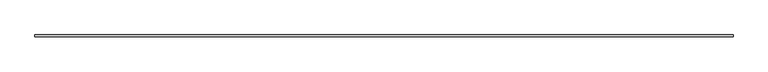
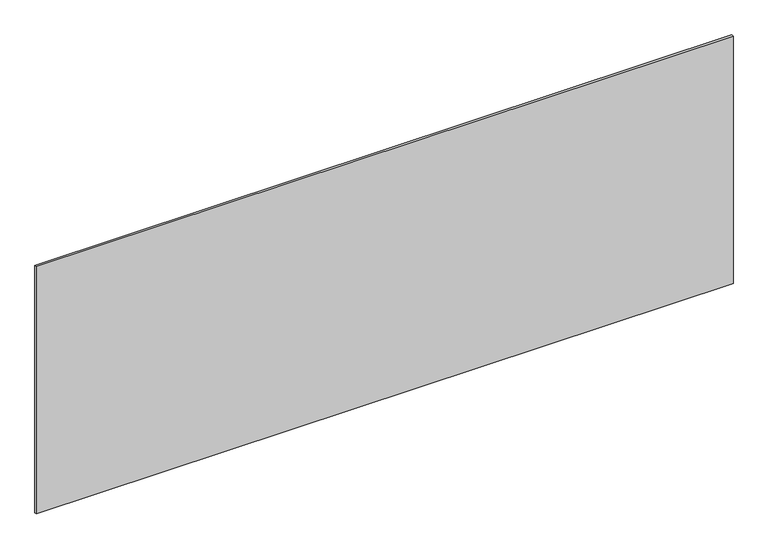
"""IFC4 building model written with IfcOpenShell, lengths in millimetres: plate geometry."""

from ifc_helpers import new_model, si_unit, origin, origin_with_axes, place, context, project, spatial, polyline, outline, extrude, source, transform, mapped, element, save


def plate_6cc786bc(model_context):
    return source(origin(), model_context, "Body", "SweptSolid", [
        extrude(outline(polyline([(1715.0, -5.0), (-1715.0, -5.0), (-1715.0, 5.0), (1715.0, 5.0), (1715.0, -5.0)])), origin_with_axes(), (0.0, 0.0, 1.0), 1288.1660768),
    ])


if __name__ == "__main__":
    model = new_model("IFC4")
    model_context = context("Model", 3, world=origin())
    ifc_project = project(units=[si_unit("LENGTHUNIT", "METRE", prefix="MILLI")], contexts=[model_context])
    site = spatial("IfcSite", under=ifc_project)
    building = spatial("IfcBuilding", under=site)
    placement = place(None, origin())
    plate_shape = plate_6cc786bc(model_context)
    element("IfcPlate", 1, at=placement, inside=building, context=model_context, shape_type="MappedRepresentation", body=[
        mapped(plate_shape, transform((0.0, 0.0, 0.0), x_axis=(1.0, 0.0, 0.0), y_axis=(0.0, 1.0, 0.0), z_axis=(0.0, 0.0, 1.0))),
    ])
    save(model, "model.ifc")
